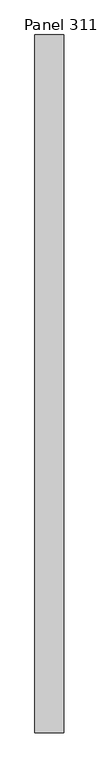
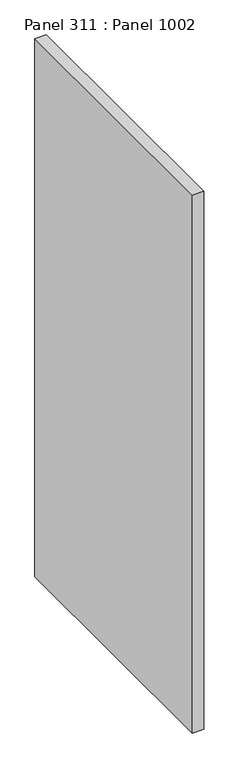
"""IFC4 building model written with IfcOpenShell, lengths in millimetres: proxy geometry, Panel 311 : Panel 1002."""

from ifc_helpers import new_model, si_unit, frame, origin, place, context, project, spatial, polyline, outline, extrude, source, transform, mapped, element, save


def panel_311_panel_1002_4e2e81fb(model_context):
    return source(origin(), model_context, "Body", "SweptSolid", [
        extrude(outline(polyline([(39817.4760129, 341305.7854596), (39767.4759707, 341305.7854592), (39767.4760139, 342505.7854592), (39817.476056, 342505.7854596), (39817.4760129, 341305.7854596)])), frame((0.0, 0.0, 34575.0), z_axis=(0.0, 0.0, 1.0), x_axis=(1.0, 0.0, 0.0)), (0.0, 0.0, 1.0), 2500.0),
    ])


if __name__ == "__main__":
    model = new_model("IFC4")
    model_context = context("Model", 3, world=origin())
    ifc_project = project(units=[si_unit("LENGTHUNIT", "METRE", prefix="MILLI")], contexts=[model_context])
    site = spatial("IfcSite", under=ifc_project)
    building = spatial("IfcBuilding", under=site)
    placement = place(None, origin())
    panel_311_panel_1002_shape = panel_311_panel_1002_4e2e81fb(model_context)
    element("IfcBuildingElementProxy", 1, Name="Panel 311 : Panel 1002", ObjectType="Panel 311 : Panel 1002", at=placement, inside=building, context=model_context, shape_type="MappedRepresentation", body=[
        mapped(panel_311_panel_1002_shape, transform((0.0, 0.0, 0.0), x_axis=(1.0, 0.0, 0.0), y_axis=(0.0, 1.0, 0.0), z_axis=(0.0, 0.0, 1.0))),
    ])
    save(model, "model.ifc")
